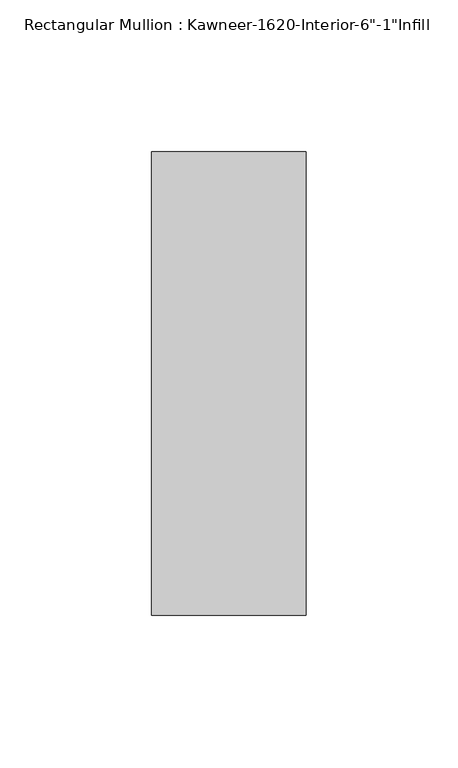
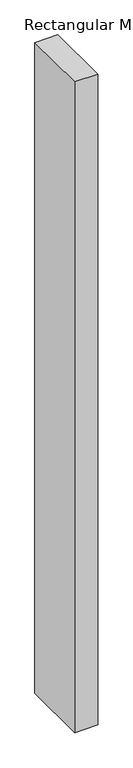
"""IFC4 building model written with IfcOpenShell, lengths in millimetres: member geometry."""

from ifc_helpers import new_model, si_unit, frame, origin, place, context, project, spatial, polyline, outline, extrude, source, transform, mapped, element, save


def member_477f0608(model_context):
    return source(origin(), model_context, "Body", "SweptSolid", [
        extrude(outline(polyline([(25.4, -114.3), (-25.4, -114.3), (-25.4, 38.1), (25.4, 38.1), (25.4, -114.3)])), frame((0.0, 0.0, -1524.0), z_axis=(0.0, 0.0, 1.0), x_axis=(1.0, 0.0, 0.0)), (0.0, 0.0, 1.0), 1524.0),
    ])


if __name__ == "__main__":
    model = new_model("IFC4")
    model_context = context("Model", 3, world=origin())
    ifc_project = project(units=[si_unit("LENGTHUNIT", "METRE", prefix="MILLI")], contexts=[model_context])
    site = spatial("IfcSite", under=ifc_project)
    building = spatial("IfcBuilding", under=site)
    placement = place(None, origin())
    member_shape = member_477f0608(model_context)
    element("IfcMember", 1, ObjectType="Rectangular Mullion : Kawneer-1620-Interior-6\"-1\"Infill", at=placement, inside=building, context=model_context, shape_type="MappedRepresentation", body=[
        mapped(member_shape, transform((0.0, 0.0, 0.0), x_axis=(1.0, 0.0, 0.0), y_axis=(0.0, 1.0, 0.0), z_axis=(0.0, 0.0, 1.0))),
    ])
    save(model, "model.ifc")
